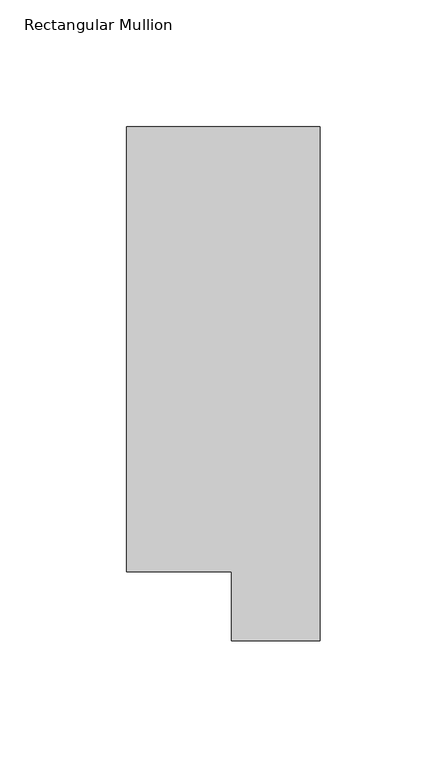
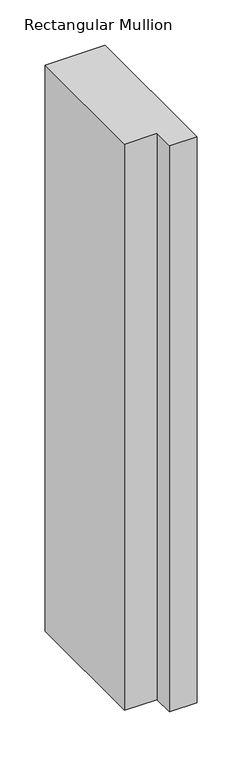
"""IFC4 building model written with IfcOpenShell, lengths in millimetres: member geometry, Rectangular Mullion."""

import ifcopenshell
import ifcopenshell.guid

model = None  # the IFC model being written
_history = None  # IfcOwnerHistory: only IFC2X3 demands one
_inside = {}  # id of a spatial element -> (the spatial element, [elements in it])
_under = {}  # id of a project, library or spatial element -> (it, [spatial elements below it])
_declared = {}  # id of a project -> (the project, [libraries it declares])
_typed = {}  # id of a type object -> (the type object, [elements of that type])
_made_of = {}  # id of a material, layer set ... -> (it, [elements and type objects made of it])


def new_model(schema):
    """Start an empty IFC model of exactly this schema.

    Asked for "IFC4X3", IfcOpenShell would pick the latest addendum, in which some entities
    have other attributes; the version numbers below select the first issue.
    IFC2X3 requires an IfcOwnerHistory on every rooted entity: one is made here for all.
    """
    global model, _history
    if schema == "IFC4X3":
        model = ifcopenshell.file(schema_version=(4, 3, 0, 0))
    else:
        model = ifcopenshell.file(schema=schema)
    _inside.clear()
    _under.clear()
    _declared.clear()
    _typed.clear()
    _made_of.clear()
    _history = None
    if model.schema == "IFC2X3":
        org = make("IfcOrganization", Name="unknown")
        user = make(
            "IfcPersonAndOrganization",
            ThePerson=make("IfcPerson", FamilyName="unknown"),
            TheOrganization=org,
        )
        app = make(
            "IfcApplication",
            ApplicationDeveloper=org,
            Version="unknown",
            ApplicationFullName="unknown",
            ApplicationIdentifier="unknown",
        )
        _history = make(
            "IfcOwnerHistory",
            OwningUser=user,
            OwningApplication=app,
            ChangeAction="ADDED",
            CreationDate=0,
        )
    return model


def make(cls, **values):
    """One entity of the class cls with the attributes given. An attribute that is None is left unset."""
    return model.create_entity(
        cls, **{name: value for name, value in values.items() if value is not None}
    )


def rooted(cls, **values):
    """An entity with a GlobalId (a new one), such as an element, a storey or a relation."""
    return make(cls, GlobalId=ifcopenshell.guid.new(), OwnerHistory=_history, **values)


def si_unit(unit_type, name, prefix=None):
    """IfcSIUnit, for example si_unit("LENGTHUNIT", "METRE", prefix="MILLI")."""
    return make("IfcSIUnit", UnitType=unit_type, Prefix=prefix, Name=name)


def assignment(units):
    """IfcUnitAssignment: the units of a project."""
    return None if units is None else make("IfcUnitAssignment", Units=units)


def point(xyz):
    """IfcCartesianPoint."""
    return None if xyz is None else make("IfcCartesianPoint", Coordinates=xyz)


def direction(xyz):
    """IfcDirection."""
    return None if xyz is None else make("IfcDirection", DirectionRatios=xyz)


def frame(location, z_axis=None, x_axis=None):
    """IfcAxis2Placement3D, a coordinate frame: its origin and axes. An axis left out is left unset."""
    return make(
        "IfcAxis2Placement3D",
        Location=point(location),
        Axis=direction(z_axis),
        RefDirection=direction(x_axis),
    )


def origin():
    """The frame at (0, 0, 0) with its axes left unset."""
    return frame((0.0, 0.0, 0.0))


def place(relative_to, where):
    """IfcLocalPlacement: puts the frame where relative to a parent placement (None: the world)."""
    return make(
        "IfcLocalPlacement", PlacementRelTo=relative_to, RelativePlacement=where
    )


def context(
    kind, dimensions, precision=None, world=None, true_north=None, identifier=None
):
    """IfcGeometricRepresentationContext, for example the 3D "Model" context."""
    return make(
        "IfcGeometricRepresentationContext",
        ContextIdentifier=identifier,
        ContextType=kind,
        CoordinateSpaceDimension=dimensions,
        Precision=precision,
        WorldCoordinateSystem=world,
        TrueNorth=true_north,
    )


def project(units=None, contexts=None):
    """IfcProject with its units and contexts."""
    return rooted(
        "IfcProject",
        Name="project",
        RepresentationContexts=contexts,
        UnitsInContext=assignment(units),
    )


def spatial(cls, under=None, at=None, **own):
    """A site, building, storey or space (cls), placed at a placement, below another one or the project."""
    s = rooted(cls, ObjectPlacement=at, **own)
    if under is not None:
        _under.setdefault(under.id(), (under, []))[1].append(s)
    return s


def polyline(points):
    """IfcPolyline through the points."""
    return make("IfcPolyline", Points=[point(p) for p in points])


def outline(outer, holes=None, kind="AREA"):
    """IfcArbitraryClosedProfileDef: a profile drawn as a closed curve; with holes, ...WithVoids."""
    if holes is None:
        return make("IfcArbitraryClosedProfileDef", ProfileType=kind, OuterCurve=outer)
    return make(
        "IfcArbitraryProfileDefWithVoids",
        ProfileType=kind,
        OuterCurve=outer,
        InnerCurves=holes,
    )


def extrude(swept, where, along, depth):
    """IfcExtrudedAreaSolid: the profile swept, set in the frame where, extruded along a direction by depth."""
    return make(
        "IfcExtrudedAreaSolid",
        SweptArea=swept,
        Position=where,
        ExtrudedDirection=direction(along),
        Depth=depth,
    )


def shape(context_of_items, identifier, shape_type, items):
    """IfcShapeRepresentation: the items that make up one representation, for example the "Body"."""
    return make(
        "IfcShapeRepresentation",
        ContextOfItems=context_of_items,
        RepresentationIdentifier=identifier,
        RepresentationType=shape_type,
        Items=items,
    )


def source(mapping_origin, context_of_items, identifier, shape_type, items):
    """IfcRepresentationMap: a shape defined once, which mapped items show again and again."""
    return make(
        "IfcRepresentationMap",
        MappingOrigin=mapping_origin,
        MappedRepresentation=shape(context_of_items, identifier, shape_type, items),
    )


def transform(
    local_origin,
    x_axis=None,
    y_axis=None,
    z_axis=None,
    scale=None,
    scale2=None,
    scale3=None,
    uniform=True,
):
    """IfcCartesianTransformationOperator3D, or its non-uniform kind. x_axis, y_axis, z_axis: its Axis1, 2, 3."""
    if uniform:
        return make(
            "IfcCartesianTransformationOperator3D",
            Axis1=direction(x_axis),
            Axis2=direction(y_axis),
            LocalOrigin=point(local_origin),
            Scale=scale,
            Axis3=direction(z_axis),
        )
    return make(
        "IfcCartesianTransformationOperator3DnonUniform",
        Axis1=direction(x_axis),
        Axis2=direction(y_axis),
        LocalOrigin=point(local_origin),
        Scale=scale,
        Axis3=direction(z_axis),
        Scale2=scale2,
        Scale3=scale3,
    )


def mapped(mapping_source, mapping_target):
    """IfcMappedItem: shows the shape of a source again, moved by a transform."""
    return make(
        "IfcMappedItem", MappingSource=mapping_source, MappingTarget=mapping_target
    )


def made_of(thing, what):
    """Note that an element or type object is made of a material, layer set ...; save() writes the relation."""
    if what is not None:
        _made_of.setdefault(what.id(), (what, []))[1].append(thing)
    return thing


def element(
    cls,
    number,
    at=None,
    inside=None,
    cuts=None,
    type_object=None,
    material=None,
    context=None,
    identifier="Body",
    shape_type=None,
    held_by="IfcProductDefinitionShape",
    body=None,
    shapes=None,
    **own,
):
    """One element of the class cls, such as IfcWall. Its Tag is "e" and its number.

    at: its placement. inside: the storey or other place that contains it. cuts: it is an
    opening in that element (IfcRelVoidsElement). A single representation is given by context,
    identifier, shape_type and body (its items); several are given by shapes. held_by: the class
    of the entity that holds the representations. save() writes the other relations.
    """
    e = rooted(cls, Tag="e%d" % number, ObjectPlacement=at, **own)
    if body is not None:
        shapes = [shape(context, identifier, shape_type, body)]
    if shapes is not None:
        e.Representation = make(held_by, Representations=shapes)
    if inside is not None:
        _inside.setdefault(inside.id(), (inside, []))[1].append(e)
    if cuts is not None:
        rooted(
            "IfcRelVoidsElement", RelatingBuildingElement=cuts, RelatedOpeningElement=e
        )
    if type_object is not None:
        _typed.setdefault(type_object.id(), (type_object, []))[1].append(e)
    return made_of(e, material)


def aggregate(whole, parts):
    """IfcRelAggregates: a whole, such as a stair, and the parts it consists of."""
    return rooted("IfcRelAggregates", RelatingObject=whole, RelatedObjects=parts)


def save(model, path):
    """Write the relations noted so far, then the file.

    IfcRelAggregates (storeys below a building ...), IfcRelContainedInSpatialStructure (elements
    in a storey), IfcRelDefinesByType, IfcRelAssociatesMaterial and IfcRelDeclares: one each for
    every whole, place, type object, material and project.
    """
    for whole, parts in _under.values():
        aggregate(whole, parts)
    for where, things in _inside.values():
        rooted(
            "IfcRelContainedInSpatialStructure",
            RelatedElements=things,
            RelatingStructure=where,
        )
    for kind, things in _typed.values():
        rooted("IfcRelDefinesByType", RelatedObjects=things, RelatingType=kind)
    for what, things in _made_of.values():
        rooted("IfcRelAssociatesMaterial", RelatedObjects=things, RelatingMaterial=what)
    for by, libraries in _declared.values():
        rooted("IfcRelDeclares", RelatingContext=by, RelatedDefinitions=libraries)
    model.write(path)


def rectangular_mullion_39b6bf4f(model_context):
    return source(origin(), model_context, "Body", "SweptSolid", [
        extrude(outline(polyline([(0.0, 222.0301313), (0.0, 19.5667312), (-34.9123, 19.5667312), (-34.9123, 46.7447302), (-76.2, 46.7447302), (-76.2, 222.0301313), (0.0, 222.0301313)])), frame((0.0, 0.0, -762.0), z_axis=(0.0, 0.0, 1.0), x_axis=(1.0, 0.0, 0.0)), (0.0, 0.0, 1.0), 762.0),
    ])


if __name__ == "__main__":
    model = new_model("IFC4")
    model_context = context("Model", 3, world=origin())
    ifc_project = project(units=[si_unit("LENGTHUNIT", "METRE", prefix="MILLI")], contexts=[model_context])
    site = spatial("IfcSite", under=ifc_project)
    building = spatial("IfcBuilding", under=site)
    placement = place(None, origin())
    rectangular_mullion_shape = rectangular_mullion_39b6bf4f(model_context)
    element("IfcMember", 1, ObjectType="Rectangular Mullion", at=placement, inside=building, context=model_context, shape_type="MappedRepresentation", body=[
        mapped(rectangular_mullion_shape, transform((0.0, 0.0, 0.0), x_axis=(1.0, 0.0, 0.0), y_axis=(0.0, 1.0, 0.0), z_axis=(0.0, 0.0, 1.0))),
    ])
    save(model, "model.ifc")
